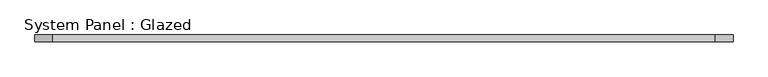
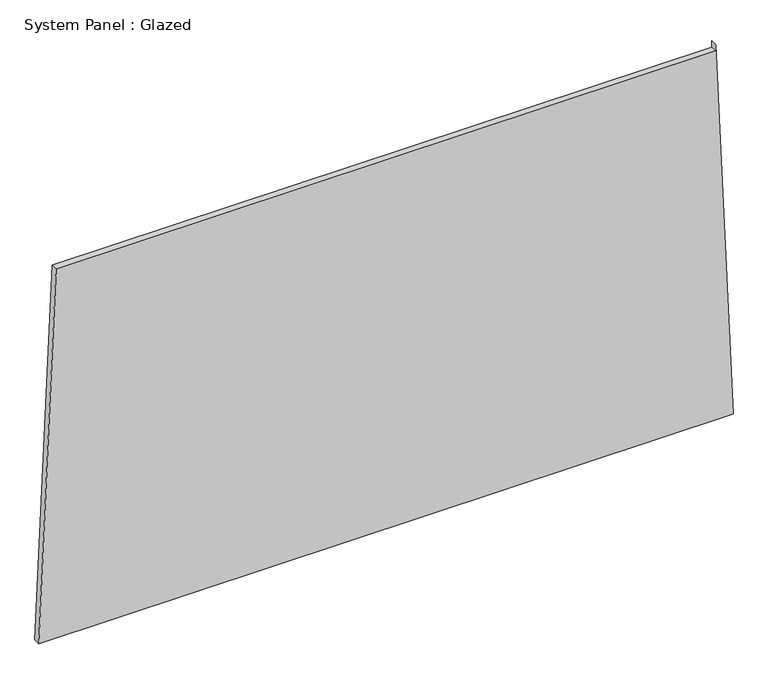
"""IFC4 building model written with IfcOpenShell, lengths in millimetres: plate geometry, System Panel : Glazed."""

from ifc_helpers import new_model, si_unit, frame, origin, place, context, project, spatial, polyline, outline, extrude, source, transform, mapped, element, save


def system_panel_glazed_cad8cab9(model_context):
    return source(origin(), model_context, "Body", "SweptSolid", [
        extrude(outline(polyline([(0.0, -1288.4434882), (0.0, 1288.4434882), (1473.5410867, 1223.4196421), (1448.5410867, 1223.4196415), (1448.5411375, -1224.522967), (0.0, -1288.4434882)])), frame((0.0, -49.5, 0.0), z_axis=(0.0, 1.0, 0.0), x_axis=(0.0, 0.0, 1.0)), (0.0, 0.0, 1.0), 25.0),
    ])


if __name__ == "__main__":
    model = new_model("IFC4")
    model_context = context("Model", 3, world=origin())
    ifc_project = project(units=[si_unit("LENGTHUNIT", "METRE", prefix="MILLI")], contexts=[model_context])
    site = spatial("IfcSite", under=ifc_project)
    building = spatial("IfcBuilding", under=site)
    placement = place(None, origin())
    system_panel_glazed_shape = system_panel_glazed_cad8cab9(model_context)
    element("IfcPlate", 1, ObjectType="System Panel : Glazed", at=placement, inside=building, context=model_context, shape_type="MappedRepresentation", body=[
        mapped(system_panel_glazed_shape, transform((0.0, 0.0, 0.0), x_axis=(1.0, 0.0, 0.0), y_axis=(0.0, 1.0, 0.0), z_axis=(0.0, 0.0, 1.0))),
    ])
    save(model, "model.ifc")
